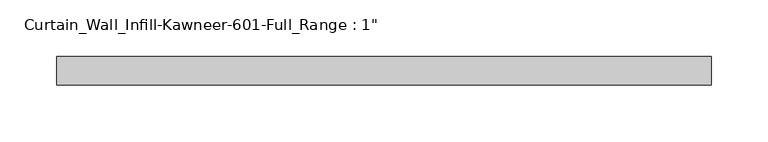
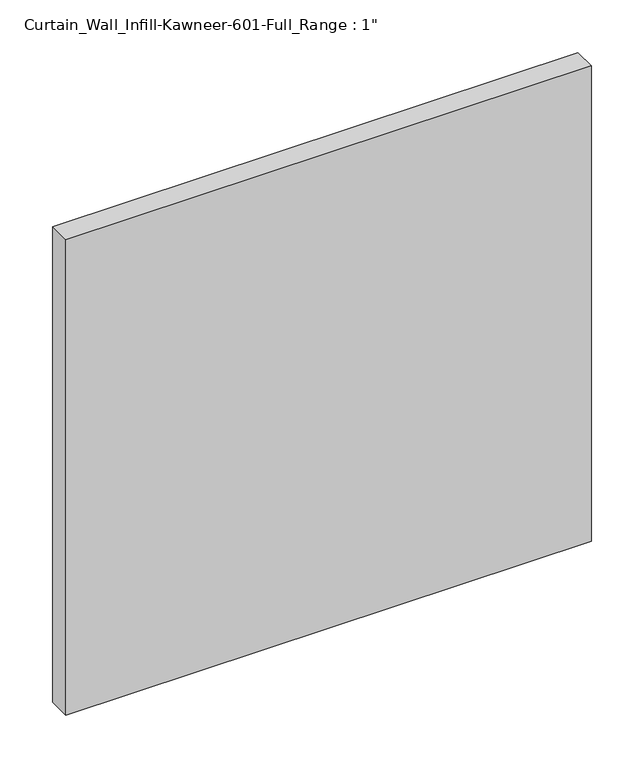
"""IFC4 building model written with IfcOpenShell, lengths in millimetres: plate geometry."""

from ifc_helpers import new_model, si_unit, origin, origin_with_axes, place, context, project, spatial, polyline, outline, extrude, source, transform, mapped, element, save


def plate_96a4318e(model_context):
    return source(origin(), model_context, "Body", "SweptSolid", [
        extrude(outline(polyline([(-288.925, 12.7), (288.925, 12.7), (288.925, -12.7), (-288.925, -12.7), (-288.925, 12.7)])), origin_with_axes(), (0.0, 0.0, 1.0), 552.45),
    ])


if __name__ == "__main__":
    model = new_model("IFC4")
    model_context = context("Model", 3, world=origin())
    ifc_project = project(units=[si_unit("LENGTHUNIT", "METRE", prefix="MILLI")], contexts=[model_context])
    site = spatial("IfcSite", under=ifc_project)
    building = spatial("IfcBuilding", under=site)
    placement = place(None, origin())
    plate_shape = plate_96a4318e(model_context)
    element("IfcPlate", 1, ObjectType="Curtain_Wall_Infill-Kawneer-601-Full_Range : 1\"", at=placement, inside=building, context=model_context, shape_type="MappedRepresentation", body=[
        mapped(plate_shape, transform((0.0, 0.0, 0.0), x_axis=(1.0, 0.0, 0.0), y_axis=(0.0, 1.0, 0.0), z_axis=(0.0, 0.0, 1.0))),
    ])
    save(model, "model.ifc")
